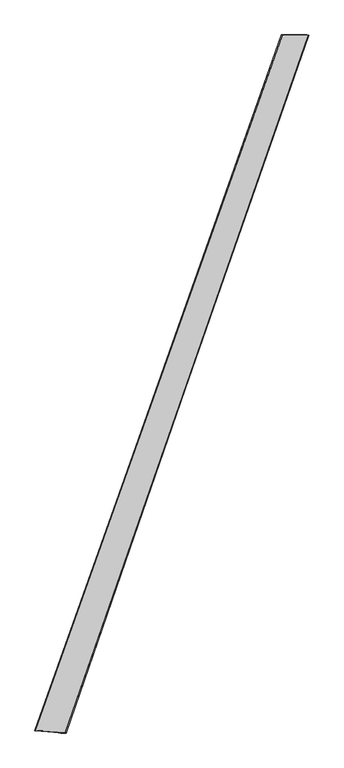
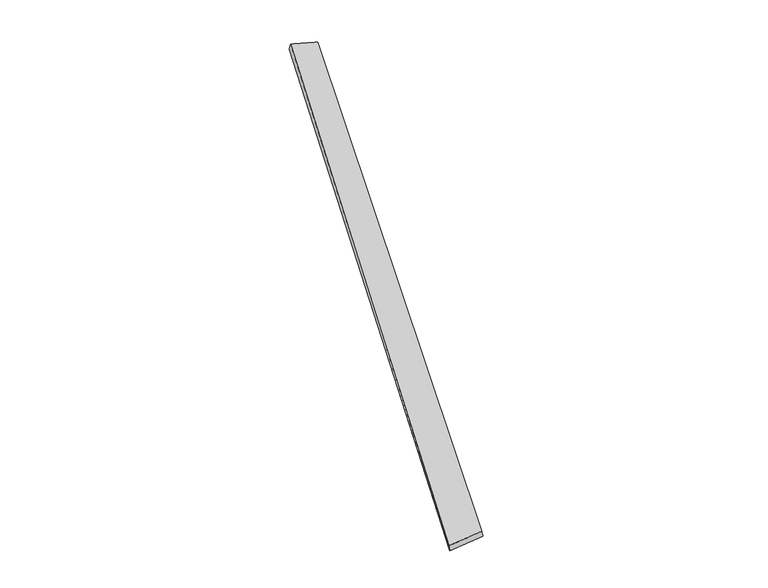
"""IFC4 building model written with IfcOpenShell, lengths in millimetres: proxy geometry."""

from ifc_helpers import new_model, si_unit, origin, place, context, project, spatial, source, transform, mapped, element, save
from ifc_brep_helpers import spline_surface, advanced_brep


def generic_models_61d3bcdf(model_context):
    return source(origin(), model_context, "Body", "AdvancedBrep", [
        advanced_brep(
        [(-710.3643809, -1799.5897649, -16.3490175), (-714.8133106, -1798.2872275, 13.2906589), (704.4578301, 2183.9126609, 49.3033754), (698.5932555, 2186.2530088, 19.9754103), (-540.3393553, -1810.3800774, 45.6192643), (856.0187363, 2182.8882365, 8.2528058), (-534.4340551, -1812.6846092, 16.2966354), (846.2051804, 2186.0213653, -19.9230282)],
        [
            (0, 1),
            (1, 2),
            (2, 3),
            (3, 0),
            (1, 4),
            (4, 5),
            (5, 2),
            (4, 6),
            (6, 7),
            (7, 5),
            (6, 0),
            (3, 7),
        ],
        [
            spline_surface(1, 1, [[(-710.3643809, -1799.5897649, -16.3490175), (698.5932555, 2186.2530088, 19.9754103)], [(-714.8133106, -1798.2872275, 13.2906589), (704.4578301, 2183.9126609, 49.3033754)]], [2, 2], [2, 2], [0.0, 1.0], [0.0, 1.0]),
            spline_surface(1, 1, [[(-714.8133106, -1798.2872275, 13.2906589), (704.4578301, 2183.9126609, 49.3033754)], [(-540.3393553, -1810.3800774, 45.6192643), (856.0187363, 2182.8882365, 8.2528058)]], [2, 2], [2, 2], [0.0, 1.0], [0.0, 1.0]),
            spline_surface(1, 1, [[(-540.3393553, -1810.3800774, 45.6192643), (856.0187363, 2182.8882365, 8.2528058)], [(-534.4340551, -1812.6846092, 16.2966354), (846.2051804, 2186.0213653, -19.9230282)]], [2, 2], [2, 2], [0.0, 1.0], [0.0, 1.0]),
            spline_surface(1, 1, [[(-534.4340551, -1812.6846092, 16.2966354), (846.2051804, 2186.0213653, -19.9230282)], [(-710.3643809, -1799.5897649, -16.3490175), (698.5932555, 2186.2530088, 19.9754103)]], [2, 2], [2, 2], [0.0, 1.0], [0.0, 1.0]),
            spline_surface(1, 1, [[(704.4578301, 2183.9126609, 49.3033754), (698.5932555, 2186.2530088, 19.9754103)], [(856.0187363, 2182.8882365, 8.2528058), (846.2051804, 2186.0213653, -19.9230282)]], [2, 2], [2, 2], [0.0, 1.0], [0.0, 1.0]),
            spline_surface(1, 1, [[(-534.4340551, -1812.6846092, 16.2966354), (-710.3643809, -1799.5897649, -16.3490175)], [(-540.3393553, -1810.3800774, 45.6192643), (-714.8133106, -1798.2872275, 13.2906589)]], [2, 2], [2, 2], [0.0, 1.0], [0.0, 1.0]),
        ],
        [
            (0, [[1, 2, 3, 4]]),
            (1, [[5, 6, 7, -2]]),
            (2, [[8, 9, 10, -6]]),
            (3, [[11, -4, 12, -9]]),
            (4, [[-3, -7, -10, -12]]),
            (5, [[-11, -8, -5, -1]]),
        ],
    ),
    ])


if __name__ == "__main__":
    model = new_model("IFC4")
    model_context = context("Model", 3, world=origin())
    ifc_project = project(units=[si_unit("LENGTHUNIT", "METRE", prefix="MILLI")], contexts=[model_context])
    site = spatial("IfcSite", under=ifc_project)
    building = spatial("IfcBuilding", under=site)
    placement = place(None, origin())
    generic_models_shape = generic_models_61d3bcdf(model_context)
    element("IfcBuildingElementProxy", 1, Name="Generic Models", at=placement, inside=building, context=model_context, shape_type="MappedRepresentation", body=[
        mapped(generic_models_shape, transform((0.0, 0.0, 0.0), x_axis=(1.0, 0.0, 0.0), y_axis=(0.0, 1.0, 0.0), z_axis=(0.0, 0.0, 1.0))),
    ])
    save(model, "model.ifc")
